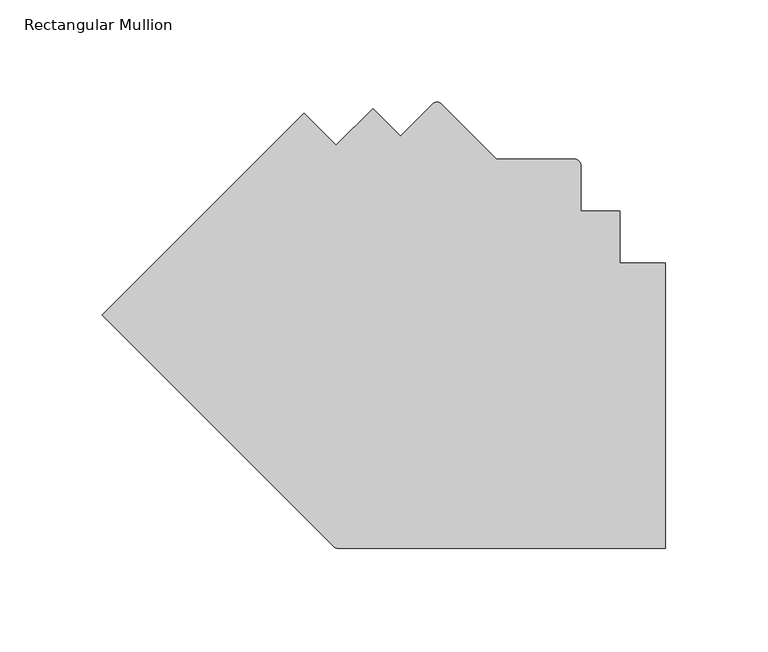
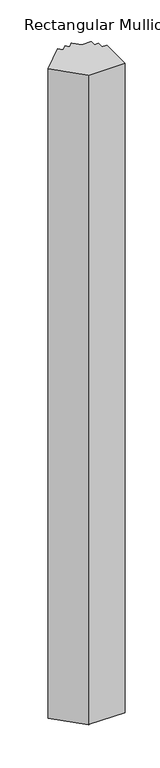
"""IFC4 building model written with IfcOpenShell, lengths in millimetres: member geometry, Rectangular Mullion."""

import ifcopenshell
import ifcopenshell.guid

model = None  # the IFC model being written
_history = None  # IfcOwnerHistory: only IFC2X3 demands one
_inside = {}  # id of a spatial element -> (the spatial element, [elements in it])
_under = {}  # id of a project, library or spatial element -> (it, [spatial elements below it])
_declared = {}  # id of a project -> (the project, [libraries it declares])
_typed = {}  # id of a type object -> (the type object, [elements of that type])
_made_of = {}  # id of a material, layer set ... -> (it, [elements and type objects made of it])


def new_model(schema):
    """Start an empty IFC model of exactly this schema.

    Asked for "IFC4X3", IfcOpenShell would pick the latest addendum, in which some entities
    have other attributes; the version numbers below select the first issue.
    IFC2X3 requires an IfcOwnerHistory on every rooted entity: one is made here for all.
    """
    global model, _history
    if schema == "IFC4X3":
        model = ifcopenshell.file(schema_version=(4, 3, 0, 0))
    else:
        model = ifcopenshell.file(schema=schema)
    _inside.clear()
    _under.clear()
    _declared.clear()
    _typed.clear()
    _made_of.clear()
    _history = None
    if model.schema == "IFC2X3":
        org = make("IfcOrganization", Name="unknown")
        user = make(
            "IfcPersonAndOrganization",
            ThePerson=make("IfcPerson", FamilyName="unknown"),
            TheOrganization=org,
        )
        app = make(
            "IfcApplication",
            ApplicationDeveloper=org,
            Version="unknown",
            ApplicationFullName="unknown",
            ApplicationIdentifier="unknown",
        )
        _history = make(
            "IfcOwnerHistory",
            OwningUser=user,
            OwningApplication=app,
            ChangeAction="ADDED",
            CreationDate=0,
        )
    return model


def make(cls, **values):
    """One entity of the class cls with the attributes given. An attribute that is None is left unset."""
    return model.create_entity(
        cls, **{name: value for name, value in values.items() if value is not None}
    )


def rooted(cls, **values):
    """An entity with a GlobalId (a new one), such as an element, a storey or a relation."""
    return make(cls, GlobalId=ifcopenshell.guid.new(), OwnerHistory=_history, **values)


def si_unit(unit_type, name, prefix=None):
    """IfcSIUnit, for example si_unit("LENGTHUNIT", "METRE", prefix="MILLI")."""
    return make("IfcSIUnit", UnitType=unit_type, Prefix=prefix, Name=name)


def assignment(units):
    """IfcUnitAssignment: the units of a project."""
    return None if units is None else make("IfcUnitAssignment", Units=units)


def point(xyz):
    """IfcCartesianPoint."""
    return None if xyz is None else make("IfcCartesianPoint", Coordinates=xyz)


def direction(xyz):
    """IfcDirection."""
    return None if xyz is None else make("IfcDirection", DirectionRatios=xyz)


def frame(location, z_axis=None, x_axis=None):
    """IfcAxis2Placement3D, a coordinate frame: its origin and axes. An axis left out is left unset."""
    return make(
        "IfcAxis2Placement3D",
        Location=point(location),
        Axis=direction(z_axis),
        RefDirection=direction(x_axis),
    )


def frame_2d(location, x_axis=None):
    """IfcAxis2Placement2D, a coordinate frame in the plane: its origin and x axis."""
    return make(
        "IfcAxis2Placement2D", Location=point(location), RefDirection=direction(x_axis)
    )


def origin():
    """The frame at (0, 0, 0) with its axes left unset."""
    return frame((0.0, 0.0, 0.0))


def place(relative_to, where):
    """IfcLocalPlacement: puts the frame where relative to a parent placement (None: the world)."""
    return make(
        "IfcLocalPlacement", PlacementRelTo=relative_to, RelativePlacement=where
    )


def context(
    kind, dimensions, precision=None, world=None, true_north=None, identifier=None
):
    """IfcGeometricRepresentationContext, for example the 3D "Model" context."""
    return make(
        "IfcGeometricRepresentationContext",
        ContextIdentifier=identifier,
        ContextType=kind,
        CoordinateSpaceDimension=dimensions,
        Precision=precision,
        WorldCoordinateSystem=world,
        TrueNorth=true_north,
    )


def project(units=None, contexts=None):
    """IfcProject with its units and contexts."""
    return rooted(
        "IfcProject",
        Name="project",
        RepresentationContexts=contexts,
        UnitsInContext=assignment(units),
    )


def spatial(cls, under=None, at=None, **own):
    """A site, building, storey or space (cls), placed at a placement, below another one or the project."""
    s = rooted(cls, ObjectPlacement=at, **own)
    if under is not None:
        _under.setdefault(under.id(), (under, []))[1].append(s)
    return s


def polyline(points):
    """IfcPolyline through the points."""
    return make("IfcPolyline", Points=[point(p) for p in points])


def circle_curve(where, radius):
    """IfcCircle in the frame where."""
    return make("IfcCircle", Position=where, Radius=radius)


def trimmed(basis, trim1, trim2, sense, master):
    """IfcTrimmedCurve: the piece of a basis curve between two trims."""
    return make(
        "IfcTrimmedCurve",
        BasisCurve=basis,
        Trim1=trim1,
        Trim2=trim2,
        SenseAgreement=sense,
        MasterRepresentation=master,
    )


def segment(curve, same_sense, transition):
    """IfcCompositeCurveSegment."""
    return make(
        "IfcCompositeCurveSegment",
        Transition=transition,
        SameSense=same_sense,
        ParentCurve=curve,
    )


def composite_curve(segments, self_intersect=None):
    """IfcCompositeCurve: segments joined end to end."""
    return make("IfcCompositeCurve", Segments=segments, SelfIntersect=self_intersect)


def outline(outer, holes=None, kind="AREA"):
    """IfcArbitraryClosedProfileDef: a profile drawn as a closed curve; with holes, ...WithVoids."""
    if holes is None:
        return make("IfcArbitraryClosedProfileDef", ProfileType=kind, OuterCurve=outer)
    return make(
        "IfcArbitraryProfileDefWithVoids",
        ProfileType=kind,
        OuterCurve=outer,
        InnerCurves=holes,
    )


def extrude(swept, where, along, depth):
    """IfcExtrudedAreaSolid: the profile swept, set in the frame where, extruded along a direction by depth."""
    return make(
        "IfcExtrudedAreaSolid",
        SweptArea=swept,
        Position=where,
        ExtrudedDirection=direction(along),
        Depth=depth,
    )


def shape(context_of_items, identifier, shape_type, items):
    """IfcShapeRepresentation: the items that make up one representation, for example the "Body"."""
    return make(
        "IfcShapeRepresentation",
        ContextOfItems=context_of_items,
        RepresentationIdentifier=identifier,
        RepresentationType=shape_type,
        Items=items,
    )


def source(mapping_origin, context_of_items, identifier, shape_type, items):
    """IfcRepresentationMap: a shape defined once, which mapped items show again and again."""
    return make(
        "IfcRepresentationMap",
        MappingOrigin=mapping_origin,
        MappedRepresentation=shape(context_of_items, identifier, shape_type, items),
    )


def transform(
    local_origin,
    x_axis=None,
    y_axis=None,
    z_axis=None,
    scale=None,
    scale2=None,
    scale3=None,
    uniform=True,
):
    """IfcCartesianTransformationOperator3D, or its non-uniform kind. x_axis, y_axis, z_axis: its Axis1, 2, 3."""
    if uniform:
        return make(
            "IfcCartesianTransformationOperator3D",
            Axis1=direction(x_axis),
            Axis2=direction(y_axis),
            LocalOrigin=point(local_origin),
            Scale=scale,
            Axis3=direction(z_axis),
        )
    return make(
        "IfcCartesianTransformationOperator3DnonUniform",
        Axis1=direction(x_axis),
        Axis2=direction(y_axis),
        LocalOrigin=point(local_origin),
        Scale=scale,
        Axis3=direction(z_axis),
        Scale2=scale2,
        Scale3=scale3,
    )


def mapped(mapping_source, mapping_target):
    """IfcMappedItem: shows the shape of a source again, moved by a transform."""
    return make(
        "IfcMappedItem", MappingSource=mapping_source, MappingTarget=mapping_target
    )


def made_of(thing, what):
    """Note that an element or type object is made of a material, layer set ...; save() writes the relation."""
    if what is not None:
        _made_of.setdefault(what.id(), (what, []))[1].append(thing)
    return thing


def element(
    cls,
    number,
    at=None,
    inside=None,
    cuts=None,
    type_object=None,
    material=None,
    context=None,
    identifier="Body",
    shape_type=None,
    held_by="IfcProductDefinitionShape",
    body=None,
    shapes=None,
    **own,
):
    """One element of the class cls, such as IfcWall. Its Tag is "e" and its number.

    at: its placement. inside: the storey or other place that contains it. cuts: it is an
    opening in that element (IfcRelVoidsElement). A single representation is given by context,
    identifier, shape_type and body (its items); several are given by shapes. held_by: the class
    of the entity that holds the representations. save() writes the other relations.
    """
    e = rooted(cls, Tag="e%d" % number, ObjectPlacement=at, **own)
    if body is not None:
        shapes = [shape(context, identifier, shape_type, body)]
    if shapes is not None:
        e.Representation = make(held_by, Representations=shapes)
    if inside is not None:
        _inside.setdefault(inside.id(), (inside, []))[1].append(e)
    if cuts is not None:
        rooted(
            "IfcRelVoidsElement", RelatingBuildingElement=cuts, RelatedOpeningElement=e
        )
    if type_object is not None:
        _typed.setdefault(type_object.id(), (type_object, []))[1].append(e)
    return made_of(e, material)


def aggregate(whole, parts):
    """IfcRelAggregates: a whole, such as a stair, and the parts it consists of."""
    return rooted("IfcRelAggregates", RelatingObject=whole, RelatedObjects=parts)


def save(model, path):
    """Write the relations noted so far, then the file.

    IfcRelAggregates (storeys below a building ...), IfcRelContainedInSpatialStructure (elements
    in a storey), IfcRelDefinesByType, IfcRelAssociatesMaterial and IfcRelDeclares: one each for
    every whole, place, type object, material and project.
    """
    for whole, parts in _under.values():
        aggregate(whole, parts)
    for where, things in _inside.values():
        rooted(
            "IfcRelContainedInSpatialStructure",
            RelatedElements=things,
            RelatingStructure=where,
        )
    for kind, things in _typed.values():
        rooted("IfcRelDefinesByType", RelatedObjects=things, RelatingType=kind)
    for what, things in _made_of.values():
        rooted("IfcRelAssociatesMaterial", RelatedObjects=things, RelatingMaterial=what)
    for by, libraries in _declared.values():
        rooted("IfcRelDeclares", RelatingContext=by, RelatedDefinitions=libraries)
    model.write(path)


def rectangular_mullion_68f86125(model_context):
    return source(origin(), model_context, "Body", "SweptSolid", [
        extrude(outline(composite_curve([segment(trimmed(circle_curve(frame_2d((-160.1425556, -284.7528874)), 3.175), [point((-160.1425556, -287.9278874))], [point((-162.3876196, -286.9979514))], False, "CARTESIAN"), True, "CONTINUOUS"), segment(polyline([(-162.3876196, -286.9979514), (-275.6255066, -173.7600644), (-176.8426853, -74.9772431), (-161.1273172, -90.6926113), (-143.1668049, -72.732099), (-129.6962606, -86.2026433), (-113.9808164, -70.4871991)]), True, "CONTINUOUS"), segment(trimmed(circle_curve(frame_2d((-111.7357523, -72.7322631)), 3.175), [point((-113.9808164, -70.4871991))], [point((-109.4906883, -70.4871991))], False, "CARTESIAN"), True, "CONTINUOUS"), segment(polyline([(-109.4906883, -70.4871991), (-82.55, -97.4278874), (-44.4501132, -97.4278874)]), True, "CONTINUOUS"), segment(trimmed(circle_curve(frame_2d((-44.4501132, -100.6028874)), 3.175), [point((-44.4501132, -97.4278874))], [point((-41.2751132, -100.6028874))], False, "CARTESIAN"), True, "CONTINUOUS"), segment(polyline([(-41.2751132, -100.6028874), (-41.2751132, -122.8278818), (-22.2248868, -122.8278818), (-22.2248868, -148.2278818), (0.0, -148.2278818), (0.0, -287.9278874), (-160.1425556, -287.9278874)]), True, "CONTINUOUS")], self_intersect=False)), frame((0.0, 0.0, -3048.0), z_axis=(0.0, 0.0, 1.0), x_axis=(1.0, 0.0, 0.0)), (0.0, 0.0, 1.0), 3048.0),
    ])


if __name__ == "__main__":
    model = new_model("IFC4")
    model_context = context("Model", 3, world=origin())
    ifc_project = project(units=[si_unit("LENGTHUNIT", "METRE", prefix="MILLI")], contexts=[model_context])
    site = spatial("IfcSite", under=ifc_project)
    building = spatial("IfcBuilding", under=site)
    placement = place(None, origin())
    rectangular_mullion_shape = rectangular_mullion_68f86125(model_context)
    element("IfcMember", 1, ObjectType="Rectangular Mullion", at=placement, inside=building, context=model_context, shape_type="MappedRepresentation", body=[
        mapped(rectangular_mullion_shape, transform((0.0, 0.0, 0.0), x_axis=(1.0, 0.0, 0.0), y_axis=(0.0, 1.0, 0.0), z_axis=(0.0, 0.0, 1.0))),
    ])
    save(model, "model.ifc")
